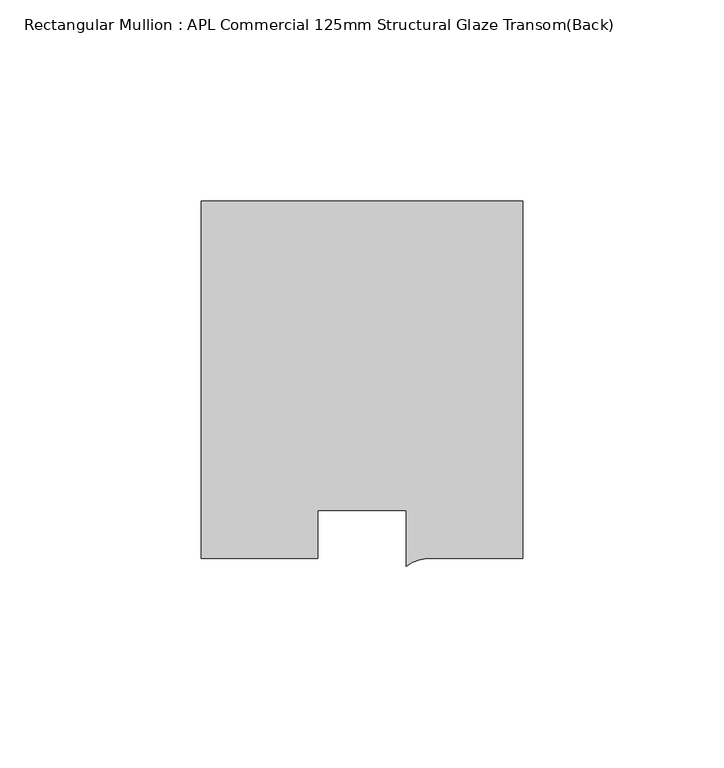
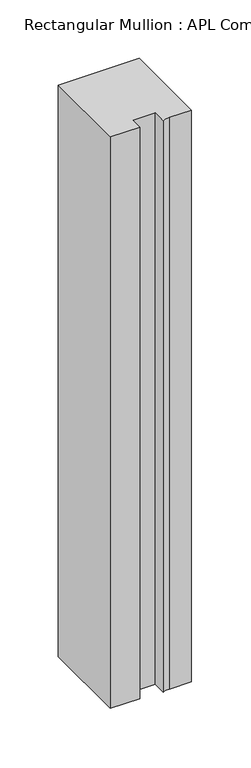
"""IFC4 building model written with IfcOpenShell, lengths in millimetres: member geometry, Rectangular Mullion : APL Commercial 125mm Structural Glaze Transom(Back)."""

from ifc_helpers import new_model, si_unit, point, frame, frame_2d, origin, place, context, project, spatial, polyline, circle_curve, trimmed, segment, composite_curve, outline, extrude, source, transform, mapped, element, save


def rectangular_mullion_apl_commercial_125mm_structural_glaze_4994943e(model_context):
    return source(origin(), model_context, "Body", "SweptSolid", [
        extrude(outline(composite_curve([segment(polyline([(40.0, 104.0), (40.0, 15.0000829), (17.9999542, 15.0000829)]), True, "CONTINUOUS"), segment(trimmed(circle_curve(frame_2d((17.1097719, 4.581653)), 10.4563907), [point((17.9999542, 15.0000829))], [point((11.0000151, 13.0673455))], True, "CARTESIAN"), True, "CONTINUOUS"), segment(polyline([(11.0000151, 13.0673455), (11.0000151, 27.0), (-11.0000151, 27.0), (-11.0000151, 15.0000829), (-40.0, 15.0000829), (-40.0, 104.0), (40.0, 104.0)]), True, "CONTINUOUS")], self_intersect=False)), frame((0.0, 0.0, -597.1422708), z_axis=(0.0, 0.0, 1.0), x_axis=(1.0, 0.0, 0.0)), (0.0, 0.0, 1.0), 597.1422708),
    ])


if __name__ == "__main__":
    model = new_model("IFC4")
    model_context = context("Model", 3, world=origin())
    ifc_project = project(units=[si_unit("LENGTHUNIT", "METRE", prefix="MILLI")], contexts=[model_context])
    site = spatial("IfcSite", under=ifc_project)
    building = spatial("IfcBuilding", under=site)
    placement = place(None, origin())
    rectangular_mullion_apl_commercial_125mm_structural_glaze_shape = rectangular_mullion_apl_commercial_125mm_structural_glaze_4994943e(model_context)
    element("IfcMember", 1, ObjectType="Rectangular Mullion : APL Commercial 125mm Structural Glaze Transom(Back)", at=placement, inside=building, context=model_context, shape_type="MappedRepresentation", body=[
        mapped(rectangular_mullion_apl_commercial_125mm_structural_glaze_shape, transform((0.0, 0.0, 0.0), x_axis=(1.0, 0.0, 0.0), y_axis=(0.0, 1.0, 0.0), z_axis=(0.0, 0.0, 1.0))),
    ])
    save(model, "model.ifc")
